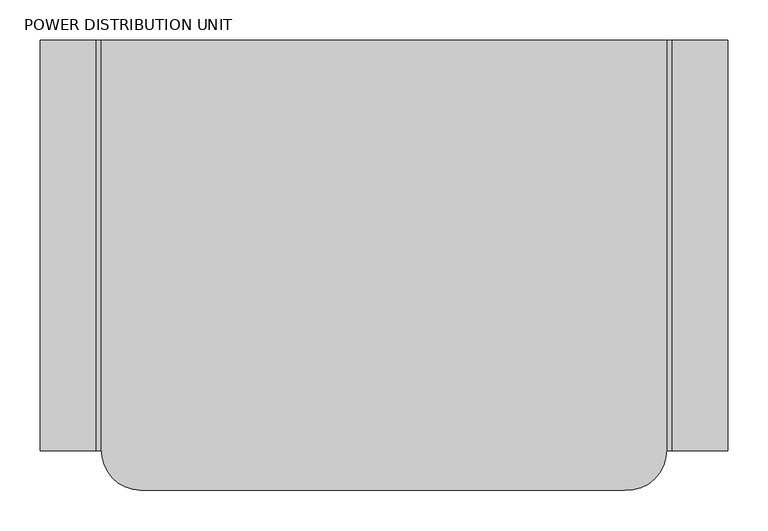
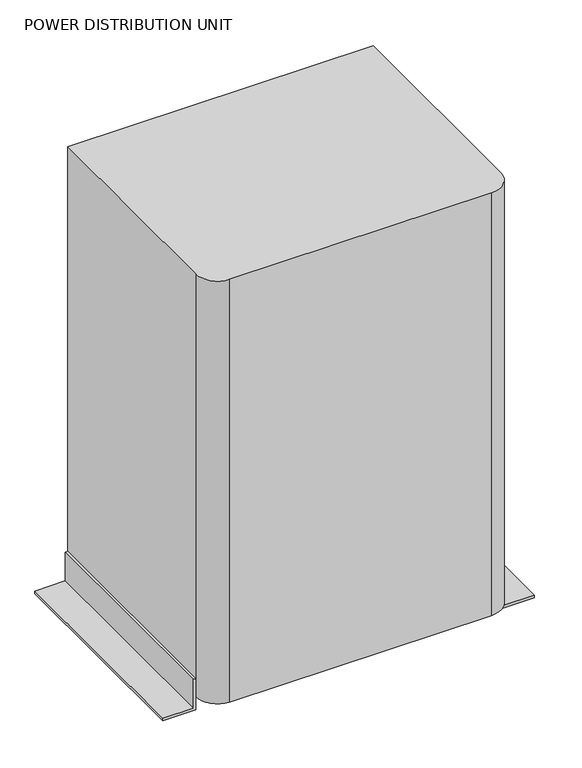
"""IFC4 building model written with IfcOpenShell, lengths in millimetres: proxy geometry, POWER DISTRIBUTION UNIT."""

import ifcopenshell
import ifcopenshell.guid

model = None  # the IFC model being written
_history = None  # IfcOwnerHistory: only IFC2X3 demands one
_inside = {}  # id of a spatial element -> (the spatial element, [elements in it])
_under = {}  # id of a project, library or spatial element -> (it, [spatial elements below it])
_declared = {}  # id of a project -> (the project, [libraries it declares])
_typed = {}  # id of a type object -> (the type object, [elements of that type])
_made_of = {}  # id of a material, layer set ... -> (it, [elements and type objects made of it])


def new_model(schema):
    """Start an empty IFC model of exactly this schema.

    Asked for "IFC4X3", IfcOpenShell would pick the latest addendum, in which some entities
    have other attributes; the version numbers below select the first issue.
    IFC2X3 requires an IfcOwnerHistory on every rooted entity: one is made here for all.
    """
    global model, _history
    if schema == "IFC4X3":
        model = ifcopenshell.file(schema_version=(4, 3, 0, 0))
    else:
        model = ifcopenshell.file(schema=schema)
    _inside.clear()
    _under.clear()
    _declared.clear()
    _typed.clear()
    _made_of.clear()
    _history = None
    if model.schema == "IFC2X3":
        org = make("IfcOrganization", Name="unknown")
        user = make(
            "IfcPersonAndOrganization",
            ThePerson=make("IfcPerson", FamilyName="unknown"),
            TheOrganization=org,
        )
        app = make(
            "IfcApplication",
            ApplicationDeveloper=org,
            Version="unknown",
            ApplicationFullName="unknown",
            ApplicationIdentifier="unknown",
        )
        _history = make(
            "IfcOwnerHistory",
            OwningUser=user,
            OwningApplication=app,
            ChangeAction="ADDED",
            CreationDate=0,
        )
    return model


def make(cls, **values):
    """One entity of the class cls with the attributes given. An attribute that is None is left unset."""
    return model.create_entity(
        cls, **{name: value for name, value in values.items() if value is not None}
    )


def rooted(cls, **values):
    """An entity with a GlobalId (a new one), such as an element, a storey or a relation."""
    return make(cls, GlobalId=ifcopenshell.guid.new(), OwnerHistory=_history, **values)


def si_unit(unit_type, name, prefix=None):
    """IfcSIUnit, for example si_unit("LENGTHUNIT", "METRE", prefix="MILLI")."""
    return make("IfcSIUnit", UnitType=unit_type, Prefix=prefix, Name=name)


def assignment(units):
    """IfcUnitAssignment: the units of a project."""
    return None if units is None else make("IfcUnitAssignment", Units=units)


def point(xyz):
    """IfcCartesianPoint."""
    return None if xyz is None else make("IfcCartesianPoint", Coordinates=xyz)


def direction(xyz):
    """IfcDirection."""
    return None if xyz is None else make("IfcDirection", DirectionRatios=xyz)


def frame(location, z_axis=None, x_axis=None):
    """IfcAxis2Placement3D, a coordinate frame: its origin and axes. An axis left out is left unset."""
    return make(
        "IfcAxis2Placement3D",
        Location=point(location),
        Axis=direction(z_axis),
        RefDirection=direction(x_axis),
    )


def frame_2d(location, x_axis=None):
    """IfcAxis2Placement2D, a coordinate frame in the plane: its origin and x axis."""
    return make(
        "IfcAxis2Placement2D", Location=point(location), RefDirection=direction(x_axis)
    )


def origin():
    """The frame at (0, 0, 0) with its axes left unset."""
    return frame((0.0, 0.0, 0.0))


def place(relative_to, where):
    """IfcLocalPlacement: puts the frame where relative to a parent placement (None: the world)."""
    return make(
        "IfcLocalPlacement", PlacementRelTo=relative_to, RelativePlacement=where
    )


def context(
    kind, dimensions, precision=None, world=None, true_north=None, identifier=None
):
    """IfcGeometricRepresentationContext, for example the 3D "Model" context."""
    return make(
        "IfcGeometricRepresentationContext",
        ContextIdentifier=identifier,
        ContextType=kind,
        CoordinateSpaceDimension=dimensions,
        Precision=precision,
        WorldCoordinateSystem=world,
        TrueNorth=true_north,
    )


def project(units=None, contexts=None):
    """IfcProject with its units and contexts."""
    return rooted(
        "IfcProject",
        Name="project",
        RepresentationContexts=contexts,
        UnitsInContext=assignment(units),
    )


def spatial(cls, under=None, at=None, **own):
    """A site, building, storey or space (cls), placed at a placement, below another one or the project."""
    s = rooted(cls, ObjectPlacement=at, **own)
    if under is not None:
        _under.setdefault(under.id(), (under, []))[1].append(s)
    return s


def polyline(points):
    """IfcPolyline through the points."""
    return make("IfcPolyline", Points=[point(p) for p in points])


def circle_curve(where, radius):
    """IfcCircle in the frame where."""
    return make("IfcCircle", Position=where, Radius=radius)


def trimmed(basis, trim1, trim2, sense, master):
    """IfcTrimmedCurve: the piece of a basis curve between two trims."""
    return make(
        "IfcTrimmedCurve",
        BasisCurve=basis,
        Trim1=trim1,
        Trim2=trim2,
        SenseAgreement=sense,
        MasterRepresentation=master,
    )


def segment(curve, same_sense, transition):
    """IfcCompositeCurveSegment."""
    return make(
        "IfcCompositeCurveSegment",
        Transition=transition,
        SameSense=same_sense,
        ParentCurve=curve,
    )


def composite_curve(segments, self_intersect=None):
    """IfcCompositeCurve: segments joined end to end."""
    return make("IfcCompositeCurve", Segments=segments, SelfIntersect=self_intersect)


def outline(outer, holes=None, kind="AREA"):
    """IfcArbitraryClosedProfileDef: a profile drawn as a closed curve; with holes, ...WithVoids."""
    if holes is None:
        return make("IfcArbitraryClosedProfileDef", ProfileType=kind, OuterCurve=outer)
    return make(
        "IfcArbitraryProfileDefWithVoids",
        ProfileType=kind,
        OuterCurve=outer,
        InnerCurves=holes,
    )


def extrude(swept, where, along, depth):
    """IfcExtrudedAreaSolid: the profile swept, set in the frame where, extruded along a direction by depth."""
    return make(
        "IfcExtrudedAreaSolid",
        SweptArea=swept,
        Position=where,
        ExtrudedDirection=direction(along),
        Depth=depth,
    )


def shape(context_of_items, identifier, shape_type, items):
    """IfcShapeRepresentation: the items that make up one representation, for example the "Body"."""
    return make(
        "IfcShapeRepresentation",
        ContextOfItems=context_of_items,
        RepresentationIdentifier=identifier,
        RepresentationType=shape_type,
        Items=items,
    )


def source(mapping_origin, context_of_items, identifier, shape_type, items):
    """IfcRepresentationMap: a shape defined once, which mapped items show again and again."""
    return make(
        "IfcRepresentationMap",
        MappingOrigin=mapping_origin,
        MappedRepresentation=shape(context_of_items, identifier, shape_type, items),
    )


def transform(
    local_origin,
    x_axis=None,
    y_axis=None,
    z_axis=None,
    scale=None,
    scale2=None,
    scale3=None,
    uniform=True,
):
    """IfcCartesianTransformationOperator3D, or its non-uniform kind. x_axis, y_axis, z_axis: its Axis1, 2, 3."""
    if uniform:
        return make(
            "IfcCartesianTransformationOperator3D",
            Axis1=direction(x_axis),
            Axis2=direction(y_axis),
            LocalOrigin=point(local_origin),
            Scale=scale,
            Axis3=direction(z_axis),
        )
    return make(
        "IfcCartesianTransformationOperator3DnonUniform",
        Axis1=direction(x_axis),
        Axis2=direction(y_axis),
        LocalOrigin=point(local_origin),
        Scale=scale,
        Axis3=direction(z_axis),
        Scale2=scale2,
        Scale3=scale3,
    )


def mapped(mapping_source, mapping_target):
    """IfcMappedItem: shows the shape of a source again, moved by a transform."""
    return make(
        "IfcMappedItem", MappingSource=mapping_source, MappingTarget=mapping_target
    )


def made_of(thing, what):
    """Note that an element or type object is made of a material, layer set ...; save() writes the relation."""
    if what is not None:
        _made_of.setdefault(what.id(), (what, []))[1].append(thing)
    return thing


def element(
    cls,
    number,
    at=None,
    inside=None,
    cuts=None,
    type_object=None,
    material=None,
    context=None,
    identifier="Body",
    shape_type=None,
    held_by="IfcProductDefinitionShape",
    body=None,
    shapes=None,
    **own,
):
    """One element of the class cls, such as IfcWall. Its Tag is "e" and its number.

    at: its placement. inside: the storey or other place that contains it. cuts: it is an
    opening in that element (IfcRelVoidsElement). A single representation is given by context,
    identifier, shape_type and body (its items); several are given by shapes. held_by: the class
    of the entity that holds the representations. save() writes the other relations.
    """
    e = rooted(cls, Tag="e%d" % number, ObjectPlacement=at, **own)
    if body is not None:
        shapes = [shape(context, identifier, shape_type, body)]
    if shapes is not None:
        e.Representation = make(held_by, Representations=shapes)
    if inside is not None:
        _inside.setdefault(inside.id(), (inside, []))[1].append(e)
    if cuts is not None:
        rooted(
            "IfcRelVoidsElement", RelatingBuildingElement=cuts, RelatedOpeningElement=e
        )
    if type_object is not None:
        _typed.setdefault(type_object.id(), (type_object, []))[1].append(e)
    return made_of(e, material)


def aggregate(whole, parts):
    """IfcRelAggregates: a whole, such as a stair, and the parts it consists of."""
    return rooted("IfcRelAggregates", RelatingObject=whole, RelatedObjects=parts)


def save(model, path):
    """Write the relations noted so far, then the file.

    IfcRelAggregates (storeys below a building ...), IfcRelContainedInSpatialStructure (elements
    in a storey), IfcRelDefinesByType, IfcRelAssociatesMaterial and IfcRelDeclares: one each for
    every whole, place, type object, material and project.
    """
    for whole, parts in _under.values():
        aggregate(whole, parts)
    for where, things in _inside.values():
        rooted(
            "IfcRelContainedInSpatialStructure",
            RelatedElements=things,
            RelatingStructure=where,
        )
    for kind, things in _typed.values():
        rooted("IfcRelDefinesByType", RelatedObjects=things, RelatingType=kind)
    for what, things in _made_of.values():
        rooted("IfcRelAssociatesMaterial", RelatedObjects=things, RelatingMaterial=what)
    for by, libraries in _declared.values():
        rooted("IfcRelDeclares", RelatingContext=by, RelatedDefinitions=libraries)
    model.write(path)


def power_distribution_unit_32ede0f8(model_context):
    return source(origin(), model_context, "Body", "SweptSolid", [
        extrude(outline(polyline([(0.0, 427.9080681), (6.35, 427.9080681), (6.35, 358.0580681), (76.2, 358.0580681), (76.2, 351.7080681), (0.0, 351.7080681), (0.0, 427.9080681)])), frame((0.0, -663.4300654, 0.0), z_axis=(0.0, 1.0, 0.0), x_axis=(0.0, 0.0, 1.0)), (0.0, 0.0, 1.0), 511.0300654),
        extrude(outline(polyline([(0.0, -427.9080681), (0.0, -351.7080681), (76.2, -351.7080681), (76.2, -358.0580681), (6.35, -358.0580681), (6.35, -427.9080681), (0.0, -427.9080681)])), frame((0.0, -663.4300654, 0.0), z_axis=(0.0, 1.0, 0.0), x_axis=(0.0, 0.0, 1.0)), (0.0, 0.0, 1.0), 511.0300654),
        extrude(outline(composite_curve([segment(polyline([(351.7080681, -152.4), (351.7080681, -661.8046404)]), True, "CONTINUOUS"), segment(trimmed(circle_curve(frame_2d((301.487452, -662.6173529)), 50.2271917), [point((351.7080681, -661.8046404))], [point((299.6939855, -712.8125147))], False, "CARTESIAN"), True, "CONTINUOUS"), segment(polyline([(299.6939855, -712.8125147), (-303.2809185, -712.8125147)]), True, "CONTINUOUS"), segment(trimmed(circle_curve(frame_2d((-301.487452, -662.6173529)), 50.2271917), [point((-303.2809185, -712.8125147))], [point((-351.7080681, -661.8046404))], False, "CARTESIAN"), True, "CONTINUOUS"), segment(polyline([(-351.7080681, -661.8046404), (-351.7080681, -152.4), (351.7080681, -152.4)]), True, "CONTINUOUS")], self_intersect=False)), frame((0.0, 0.0, 31.75), z_axis=(0.0, 0.0, 1.0), x_axis=(1.0, 0.0, 0.0)), (0.0, 0.0, 1.0), 1029.97),
    ])


if __name__ == "__main__":
    model = new_model("IFC4")
    model_context = context("Model", 3, world=origin())
    ifc_project = project(units=[si_unit("LENGTHUNIT", "METRE", prefix="MILLI")], contexts=[model_context])
    site = spatial("IfcSite", under=ifc_project)
    building = spatial("IfcBuilding", under=site)
    placement = place(None, origin())
    power_distribution_unit_shape = power_distribution_unit_32ede0f8(model_context)
    element("IfcBuildingElementProxy", 1, Name="POWER DISTRIBUTION UNIT", ObjectType="POWER DISTRIBUTION UNIT", at=placement, inside=building, context=model_context, shape_type="MappedRepresentation", body=[
        mapped(power_distribution_unit_shape, transform((0.0, 0.0, 0.0), x_axis=(1.0, 0.0, 0.0), y_axis=(0.0, 1.0, 0.0), z_axis=(0.0, 0.0, 1.0))),
    ])
    save(model, "model.ifc")
